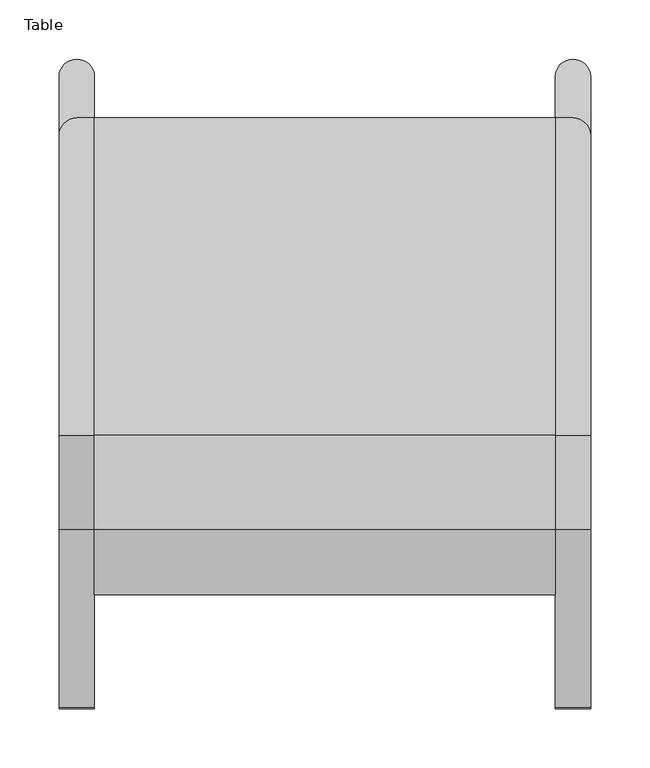
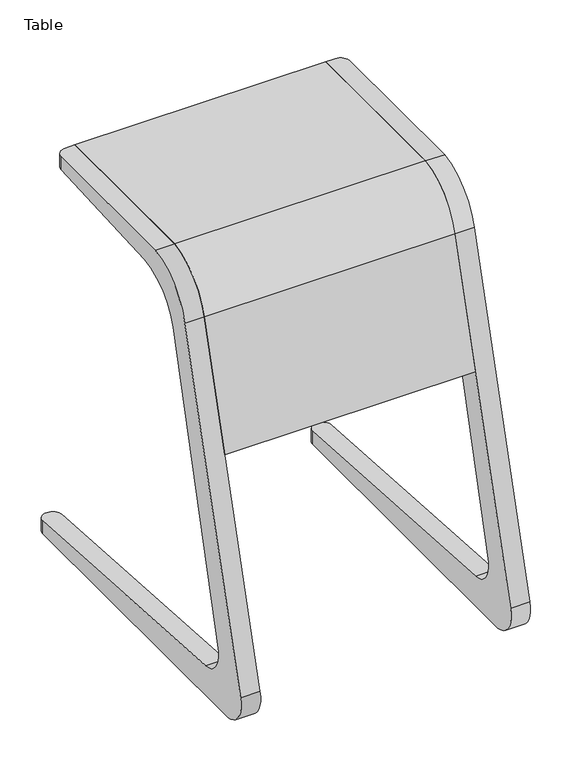
"""IFC4 building model written with IfcOpenShell, lengths in millimetres: furniture geometry, Table."""

from ifc_helpers import new_model, si_unit, point, frame, frame_2d, origin, place, context, project, spatial, polyline, circle_curve, ellipse_curve, trimmed, segment, composite_curve, outline, extrude, source, transform, mapped, element, save
from ifc_brep_helpers import plane_surface, cylinder_surface, revolved_surface, advanced_brep


def table_2e4117af(model_context):
    return source(origin(), model_context, "Body", "SolidModel", [
        extrude(outline(composite_curve([segment(polyline([(-43.6214604, 650.0462585), (225.1780135, 650.0462585), (225.1780135, 635.0462585), (-42.5868434, 635.0462585)]), True, "CONTINUOUS"), segment(trimmed(circle_curve(frame_2d((-31.1501645, 556.1410719)), 79.7297065), [point((-42.5868434, 635.0462585))], [point((-108.7267424, 574.5448938))], True, "CARTESIAN"), True, "CONTINUOUS"), segment(polyline([(-108.7267424, 574.5448938), (-163.0645965, 385.0462585), (-178.6690879, 385.0462585), (-123.2373233, 578.3598136)]), True, "CONTINUOUS"), segment(trimmed(circle_curve(frame_2d((-31.1501645, 556.1410719)), 94.7297065), [point((-123.2373233, 578.3598136))], [point((-43.6214604, 650.0462585))], False, "CARTESIAN"), True, "CONTINUOUS")], self_intersect=False)), frame((-195.0, 0.0, 0.0), z_axis=(1.0, 0.0, 0.0), x_axis=(0.0, 1.0, 0.0)), (0.0, 0.0, 1.0), 390.0),
        advanced_brep(
        [(-225.0, -239.5484608, 0.0), (-225.0, -273.6681193, 53.7452328), (-225.0, -123.2373233, 578.3598136), (-225.0, -43.6214604, 650.0462585), (-225.0, 209.9206467, 650.0462585), (-225.0, 209.9206467, 629.213899), (-225.0, -13.8680748, 617.485629), (-225.0, -91.5621056, 552.2925965), (-225.0, -214.501152, 93.477829), (-225.0, -179.4467247, 49.3763256), (-225.0, 259.9206467, 20.969811), (-225.0, 259.9206467, 0.0), (-195.0, -179.4467247, 49.3763256), (-195.0, -214.501152, 93.477829), (-195.0, -91.5621056, 552.2925965), (-195.0, -13.8680748, 617.485629), (-195.0, 225.1780135, 630.0135037), (-195.0, 225.1780135, 650.0462585), (-195.0, -43.6214604, 650.0462585), (-195.0, -123.2373233, 578.3598136), (-195.0, -273.6681193, 53.7452328), (-195.0, -239.5484608, 0.0), (-195.0, 259.9206467, 0.0), (-195.0, 259.9206467, 20.969811), (-210.0, 224.9206467, 630.0000156), (-210.0, 225.1780135, 630.0135037), (-210.0, 225.1780135, 650.0462585), (-210.0, 224.9206467, 650.0462585), (-210.0, 274.9206467, 0.0), (-210.0, 274.9206467, 20.0000127)],
        [
            (0, 1, circle_curve(frame((-225.0, -232.7572448, 42.0142295), z_axis=(-1.0, 0.0, 0.0), x_axis=(0.0, -1.0, 0.0)), 42.5595594)),
            (1, 2),
            (2, 3, circle_curve(frame((-225.0, -31.1501645, 556.1410719), z_axis=(-1.0, 0.0, 0.0), x_axis=(0.0, -1.0, 0.0)), 94.7297065)),
            (3, 4),
            (4, 5),
            (5, 6),
            (6, 7, circle_curve(frame((-225.0, -6.1624405, 529.4098252), z_axis=(1.0, 0.0, 0.0), x_axis=(0.0, -1.0, 0.0)), 88.4122391)),
            (7, 8),
            (8, 9, circle_curve(frame((-225.0, -176.9943175, 87.3080363), z_axis=(1.0, 0.0, 0.0), x_axis=(0.0, -1.0, 0.0)), 38.0109061)),
            (9, 10),
            (10, 11),
            (11, 0),
            (12, 13, circle_curve(frame((-195.0, -176.9943175, 87.3080363), z_axis=(-1.0, 0.0, 0.0), x_axis=(0.0, -1.0, 0.0)), 38.0109061)),
            (13, 14),
            (14, 15, circle_curve(frame((-195.0, -6.1624405, 529.4098252), z_axis=(-1.0, 0.0, 0.0), x_axis=(0.0, -1.0, 0.0)), 88.4122391)),
            (15, 16),
            (16, 17),
            (17, 18),
            (18, 19, circle_curve(frame((-195.0, -31.1501645, 556.1410719), z_axis=(1.0, 0.0, 0.0), x_axis=(0.0, -1.0, 0.0)), 94.7297065)),
            (19, 20),
            (20, 21, circle_curve(frame((-195.0, -232.7572448, 42.0142295), z_axis=(1.0, 0.0, 0.0), x_axis=(0.0, -1.0, 0.0)), 42.5595594)),
            (21, 22),
            (22, 23),
            (23, 12),
            (8, 13),
            (12, 9),
            (7, 14),
            (6, 15),
            (5, 24, ellipse_curve(frame((-210.0, 209.9206467, 629.213899), z_axis=(0.0, 0.05233595624294377, -0.9986295347545739), x_axis=(0.0, -0.9986295347545739, -0.05233595624294222)), 15.0205852, 15.0)),
            (24, 25),
            (25, 16),
            (25, 26),
            (26, 17),
            (26, 27),
            (27, 4, circle_curve(frame((-210.0, 209.9206467, 650.0462585), z_axis=(0.0, 0.0, 1.0), x_axis=(1.0, 0.0, 0.0)), 15.0)),
            (3, 18),
            (2, 19),
            (1, 20),
            (0, 21),
            (11, 28, circle_curve(frame((-210.0, 259.9206467, 0.0), z_axis=(0.0, 0.0, -1.0), x_axis=(1.0, 0.0, 0.0)), 15.0)),
            (28, 22, circle_curve(frame((-210.0, 259.9206467, 0.0), z_axis=(0.0, 0.0, -1.0), x_axis=(-1.0, 0.0, 0.0)), 15.0)),
            (23, 29, ellipse_curve(frame((-210.0, 259.9206467, 20.969811), z_axis=(0.0, 0.06451851405164323, 0.9979165102074261), x_axis=(0.0, 0.9979165102074262, -0.06451851405164165)), 15.0313176, 15.0)),
            (29, 10, ellipse_curve(frame((-210.0, 259.9206467, 20.969811), z_axis=(0.0, 0.06451851405164323, 0.9979165102074261), x_axis=(0.0, 0.9979165102074262, -0.06451851405164165)), 15.0313176, 15.0)),
            (28, 29),
            (27, 24),
        ],
        [
            plane_surface(frame((-225.0, 274.9206467, 20.0000127), z_axis=(-1.0, 0.0, 0.0), x_axis=(0.0, 0.9979165102074261, -0.06451851405164323))),
            plane_surface(frame((-195.0, 274.9206467, 20.0000127), z_axis=(1.0, 0.0, 0.0), x_axis=(0.0, -0.9979165102074261, 0.06451851405164323))),
            revolved_surface(polyline([(-195.0, -215.0052236, 87.3080363), (-225.0, -215.0052236, 87.3080363)]), (-195.0, -176.9943175, 87.3080363), (1.0, 0.0, 0.0)),
            plane_surface(frame((-225.0, -91.5621056, 552.2925965), z_axis=(0.0, 0.965925826289068, -0.25881904510252196), x_axis=(1.0, 0.0, 0.0))),
            revolved_surface(polyline([(-195.0, -94.5746796, 529.4098252), (-225.0, -94.5746796, 529.4098252)]), (-195.0, -6.1624405, 529.4098252), (1.0, 0.0, 0.0)),
            plane_surface(frame((-225.0, 225.1780135, 630.0135037), z_axis=(0.0, 0.05233595624294377, -0.9986295347545739), x_axis=(1.0, 0.0, 0.0))),
            plane_surface(frame((-225.0, 225.1780135, 650.0462585), z_axis=(0.0, 1.0, 0.0), x_axis=(1.0, 0.0, 0.0))),
            plane_surface(frame((-225.0, -43.6214604, 650.0462585), z_axis=(0.0, 0.0, 1.0), x_axis=(1.0, 0.0, 0.0))),
            cylinder_surface(frame((-195.0, -31.1501645, 556.1410719), z_axis=(-1.0, 0.0, 0.0), x_axis=(0.0, -1.0, 0.0)), 94.7297065),
            plane_surface(frame((-225.0, -273.6681193, 53.7452328), z_axis=(0.0, -0.961261702905904, 0.27563733151814107), x_axis=(1.0, 0.0, 0.0))),
            cylinder_surface(frame((-195.0, -232.7572448, 42.0142295), z_axis=(-1.0, 0.0, 0.0), x_axis=(0.0, -1.0, 0.0)), 42.5595594),
            plane_surface(frame((-225.0, 274.9206467, 0.0), z_axis=(0.0, 0.0, -1.0), x_axis=(1.0, 0.0, 0.0))),
            plane_surface(frame((-225.0, -179.4467247, 49.3763256), z_axis=(0.0, 0.06451851405164323, 0.9979165102074261), x_axis=(1.0, 0.0, 0.0))),
            cylinder_surface(frame((-210.0, 259.9206467, 0.0), z_axis=(0.0, 0.0, -1.0), x_axis=(-1.0, 0.0, 0.0)), 15.0),
            cylinder_surface(frame((-210.0, 259.9206467, 0.0), z_axis=(0.0, 0.0, -1.0), x_axis=(1.0, 0.0, 0.0)), 15.0),
            cylinder_surface(frame((-210.0, 209.9206467, 622.7667236), z_axis=(0.0, 0.0, -1.0), x_axis=(1.0, 0.0, 0.0)), 15.0),
            plane_surface(frame((-210.0, 224.9206467, 652.5384251), z_axis=(-1.0, 0.0, 0.0), x_axis=(0.0, 0.0, -1.0))),
        ],
        [
            (0, [[1, 2, 3, 4, 5, 6, 7, 8, 9, 10, 11, 12]]),
            (1, [[13, 14, 15, 16, 17, 18, 19, 20, 21, 22, 23, 24]]),
            (2, [[-9, 25, -13, 26]]),
            (3, [[-8, 27, -14, -25]]),
            (4, [[-7, 28, -15, -27]]),
            (5, [[-16, -28, -6, 29, 30, 31]]),
            (6, [[-17, -31, 32, 33]]),
            (7, [[-18, -33, 34, 35, -4, 36]]),
            (8, [[-3, 37, -19, -36]]),
            (9, [[-2, 38, -20, -37]]),
            (10, [[-1, 39, -21, -38]]),
            (11, [[-39, -12, 40, 41, -22]]),
            (12, [[-26, -24, 42, 43, -10]]),
            (13, [[44, -42, -23, -41]]),
            (14, [[-44, -40, -11, -43]]),
            (15, [[45, -29, -5, -35]]),
            (16, [[-45, -34, -32, -30]]),
        ],
    ),
        advanced_brep(
        [(225.0, -179.4467247, 49.3763256), (225.0, -214.501152, 93.477829), (225.0, -91.5621056, 552.2925965), (225.0, -13.8680748, 617.485629), (225.0, 209.9206467, 629.213899), (225.0, 209.9206467, 650.0462585), (225.0, -43.6214604, 650.0462585), (225.0, -123.2373233, 578.3598136), (225.0, -273.6681193, 53.7452328), (225.0, -239.5484608, 0.0), (225.0, 259.9206467, 0.0), (225.0, 259.9206467, 20.969811), (195.0, -239.5484608, 0.0), (195.0, -273.6681193, 53.7452328), (195.0, -123.2373233, 578.3598136), (195.0, -43.6214604, 650.0462585), (195.0, 225.1780135, 650.0462585), (195.0, 225.1780135, 630.0135037), (195.0, -13.8680748, 617.485629), (195.0, -91.5621056, 552.2925965), (195.0, -214.501152, 93.477829), (195.0, -179.4467247, 49.3763256), (195.0, 259.9206467, 20.969811), (195.0, 259.9206467, 0.0), (210.0, 225.1780135, 630.0135037), (210.0, 224.9206467, 630.0000156), (210.0, 225.1780135, 650.0462585), (210.0, 224.9206467, 650.0462585), (210.0, 274.9206467, 0.0), (210.0, 274.9206467, 20.0000127)],
        [
            (0, 1, circle_curve(frame((225.0, -176.9943175, 87.3080363), z_axis=(-1.0, 0.0, 0.0), x_axis=(0.0, -1.0, 0.0)), 38.0109061)),
            (1, 2),
            (2, 3, circle_curve(frame((225.0, -6.1624405, 529.4098252), z_axis=(-1.0, 0.0, 0.0), x_axis=(0.0, -1.0, 0.0)), 88.4122391)),
            (3, 4),
            (4, 5),
            (5, 6),
            (6, 7, circle_curve(frame((225.0, -31.1501645, 556.1410719), z_axis=(1.0, 0.0, 0.0), x_axis=(0.0, -1.0, 0.0)), 94.7297065)),
            (7, 8),
            (8, 9, circle_curve(frame((225.0, -232.7572448, 42.0142295), z_axis=(1.0, 0.0, 0.0), x_axis=(0.0, -1.0, 0.0)), 42.5595594)),
            (9, 10),
            (10, 11),
            (11, 0),
            (12, 13, circle_curve(frame((195.0, -232.7572448, 42.0142295), z_axis=(-1.0, 0.0, 0.0), x_axis=(0.0, -1.0, 0.0)), 42.5595594)),
            (13, 14),
            (14, 15, circle_curve(frame((195.0, -31.1501645, 556.1410719), z_axis=(-1.0, 0.0, 0.0), x_axis=(0.0, -1.0, 0.0)), 94.7297065)),
            (15, 16),
            (16, 17),
            (17, 18),
            (18, 19, circle_curve(frame((195.0, -6.1624405, 529.4098252), z_axis=(1.0, 0.0, 0.0), x_axis=(0.0, -1.0, 0.0)), 88.4122391)),
            (19, 20),
            (20, 21, circle_curve(frame((195.0, -176.9943175, 87.3080363), z_axis=(1.0, 0.0, 0.0), x_axis=(0.0, -1.0, 0.0)), 38.0109061)),
            (21, 22),
            (22, 23),
            (23, 12),
            (0, 21),
            (20, 1),
            (19, 2),
            (18, 3),
            (17, 24),
            (24, 25),
            (25, 4, ellipse_curve(frame((210.0, 209.9206467, 629.213899), z_axis=(0.0, 0.05233595624294377, -0.9986295347545739), x_axis=(0.0, -0.9986295347545739, -0.05233595624294222)), 15.0205852, 15.0)),
            (16, 26),
            (26, 24),
            (15, 6),
            (5, 27, circle_curve(frame((210.0, 209.9206467, 650.0462585), z_axis=(0.0, 0.0, 1.0), x_axis=(-1.0, 0.0, 0.0)), 15.0)),
            (27, 26),
            (14, 7),
            (13, 8),
            (12, 9),
            (23, 28, circle_curve(frame((210.0, 259.9206467, 0.0), z_axis=(0.0, 0.0, -1.0), x_axis=(1.0, 0.0, 0.0)), 15.0)),
            (28, 10, circle_curve(frame((210.0, 259.9206467, 0.0), z_axis=(0.0, 0.0, -1.0), x_axis=(-1.0, 0.0, 0.0)), 15.0)),
            (11, 29, ellipse_curve(frame((210.0, 259.9206467, 20.969811), z_axis=(0.0, 0.06451851405164323, 0.9979165102074261), x_axis=(0.0, 0.9979165102074262, -0.06451851405164165)), 15.0313176, 15.0)),
            (29, 22, ellipse_curve(frame((210.0, 259.9206467, 20.969811), z_axis=(0.0, 0.06451851405164323, 0.9979165102074261), x_axis=(0.0, 0.9979165102074262, -0.06451851405164165)), 15.0313176, 15.0)),
            (29, 28),
            (25, 27),
        ],
        [
            plane_surface(frame((225.0, -215.0052235, 87.3080363), z_axis=(1.0, 0.0, 0.0), x_axis=(0.0, 0.0, 1.0))),
            plane_surface(frame((195.0, -215.0052235, 87.3080363), z_axis=(-1.0, 0.0, 0.0), x_axis=(0.0, 0.0, -1.0))),
            revolved_surface(polyline([(195.0, -215.0052236, 87.3080363), (225.0, -215.0052236, 87.3080363)]), (195.0, -176.9943175, 87.3080363), (-1.0, 0.0, 0.0)),
            plane_surface(frame((225.0, -214.501152, 93.477829), z_axis=(0.0, 0.965925826289068, -0.25881904510252196), x_axis=(-1.0, 0.0, 0.0))),
            revolved_surface(polyline([(195.0, -94.5746796, 529.4098252), (225.0, -94.5746796, 529.4098252)]), (195.0, -6.1624405, 529.4098252), (-1.0, 0.0, 0.0)),
            plane_surface(frame((225.0, -13.8680748, 617.485629), z_axis=(0.0, 0.05233595624294377, -0.9986295347545739), x_axis=(-1.0, 0.0, 0.0))),
            plane_surface(frame((225.0, 225.1780135, 630.0135037), z_axis=(0.0, 1.0, 0.0), x_axis=(-1.0, 0.0, 0.0))),
            plane_surface(frame((225.0, 225.1780135, 650.0462585), z_axis=(0.0, 0.0, 1.0), x_axis=(-1.0, 0.0, 0.0))),
            cylinder_surface(frame((195.0, -31.1501645, 556.1410719), z_axis=(1.0, 0.0, 0.0), x_axis=(0.0, -1.0, 0.0)), 94.7297065),
            plane_surface(frame((225.0, -123.2373233, 578.3598136), z_axis=(0.0, -0.961261702905904, 0.27563733151814107), x_axis=(-1.0, 0.0, 0.0))),
            cylinder_surface(frame((195.0, -232.7572448, 42.0142295), z_axis=(1.0, 0.0, 0.0), x_axis=(0.0, -1.0, 0.0)), 42.5595594),
            plane_surface(frame((225.0, -239.5484608, 0.0), z_axis=(0.0, 0.0, -1.0), x_axis=(-1.0, 0.0, 0.0))),
            plane_surface(frame((225.0, 274.9206467, 20.0000127), z_axis=(0.0, 0.06451851405164323, 0.9979165102074261), x_axis=(-1.0, 0.0, 0.0))),
            cylinder_surface(frame((210.0, 259.9206467, 0.0), z_axis=(0.0, 0.0, -1.0), x_axis=(1.0, 0.0, 0.0)), 15.0),
            cylinder_surface(frame((210.0, 259.9206467, 0.0), z_axis=(0.0, 0.0, -1.0), x_axis=(-1.0, 0.0, 0.0)), 15.0),
            cylinder_surface(frame((210.0, 209.9206467, 622.7667236), z_axis=(0.0, 0.0, -1.0), x_axis=(-1.0, 0.0, 0.0)), 15.0),
            plane_surface(frame((210.0, 226.7654463, 652.5384251), z_axis=(1.0, 0.0, 0.0), x_axis=(0.0, 0.0, -1.0))),
        ],
        [
            (0, [[1, 2, 3, 4, 5, 6, 7, 8, 9, 10, 11, 12]]),
            (1, [[13, 14, 15, 16, 17, 18, 19, 20, 21, 22, 23, 24]]),
            (2, [[-1, 25, -21, 26]]),
            (3, [[-2, -26, -20, 27]]),
            (4, [[-3, -27, -19, 28]]),
            (5, [[-18, 29, 30, 31, -4, -28]]),
            (6, [[-17, 32, 33, -29]]),
            (7, [[-16, 34, -6, 35, 36, -32]]),
            (8, [[-7, -34, -15, 37]]),
            (9, [[-8, -37, -14, 38]]),
            (10, [[-9, -38, -13, 39]]),
            (11, [[-39, -24, 40, 41, -10]]),
            (12, [[-25, -12, 42, 43, -22]]),
            (13, [[44, -40, -23, -43]]),
            (14, [[-44, -42, -11, -41]]),
            (15, [[45, -35, -5, -31]]),
            (16, [[-45, -30, -33, -36]]),
        ],
    ),
    ])


if __name__ == "__main__":
    model = new_model("IFC4")
    model_context = context("Model", 3, world=origin())
    ifc_project = project(units=[si_unit("LENGTHUNIT", "METRE", prefix="MILLI")], contexts=[model_context])
    site = spatial("IfcSite", under=ifc_project)
    building = spatial("IfcBuilding", under=site)
    placement = place(None, origin())
    table_shape = table_2e4117af(model_context)
    element("IfcFurniture", 1, ObjectType="Table", at=placement, inside=building, context=model_context, shape_type="MappedRepresentation", body=[
        mapped(table_shape, transform((0.0, 0.0, 0.0), x_axis=(1.0, 0.0, 0.0), y_axis=(0.0, 1.0, 0.0), z_axis=(0.0, 0.0, 1.0))),
    ])
    save(model, "model.ifc")
